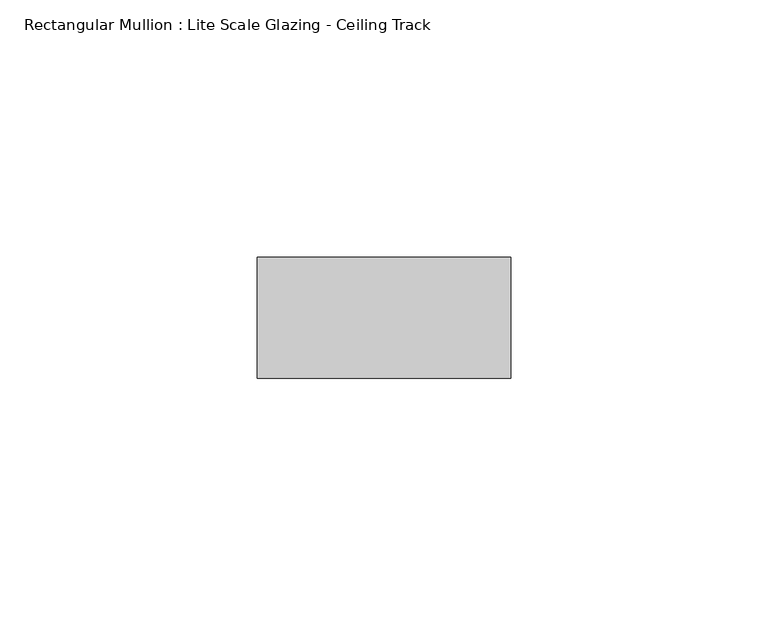
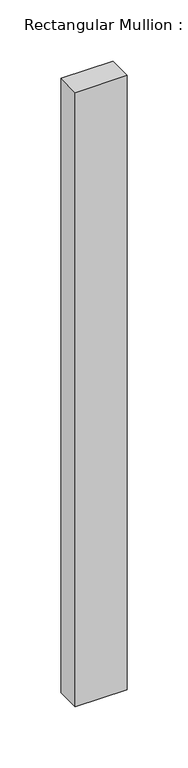
"""IFC4 building model written with IfcOpenShell, lengths in millimetres: member geometry, Rectangular Mullion : Lite Scale Glazing - Ceiling Track."""

from ifc_helpers import new_model, si_unit, frame, origin, place, context, project, spatial, polyline, outline, extrude, source, transform, mapped, element, save


def rectangular_mullion_lite_scale_glazing_ceiling_track_66192bea(model_context):
    return source(origin(), model_context, "Body", "SweptSolid", [
        extrude(outline(polyline([(-49.276, -11.7474999), (-49.276, 11.7474999), (0.0, 11.7474999), (0.0, -11.7474999), (-49.276, -11.7474999)])), frame((0.0, 0.0, -614.68), z_axis=(0.0, 0.0, 1.0), x_axis=(1.0, 0.0, 0.0)), (0.0, 0.0, 1.0), 614.68),
    ])


if __name__ == "__main__":
    model = new_model("IFC4")
    model_context = context("Model", 3, world=origin())
    ifc_project = project(units=[si_unit("LENGTHUNIT", "METRE", prefix="MILLI")], contexts=[model_context])
    site = spatial("IfcSite", under=ifc_project)
    building = spatial("IfcBuilding", under=site)
    placement = place(None, origin())
    rectangular_mullion_lite_scale_glazing_ceiling_track_shape = rectangular_mullion_lite_scale_glazing_ceiling_track_66192bea(model_context)
    element("IfcMember", 1, ObjectType="Rectangular Mullion : Lite Scale Glazing - Ceiling Track", at=placement, inside=building, context=model_context, shape_type="MappedRepresentation", body=[
        mapped(rectangular_mullion_lite_scale_glazing_ceiling_track_shape, transform((0.0, 0.0, 0.0), x_axis=(1.0, 0.0, 0.0), y_axis=(0.0, 1.0, 0.0), z_axis=(0.0, 0.0, 1.0))),
    ])
    save(model, "model.ifc")
